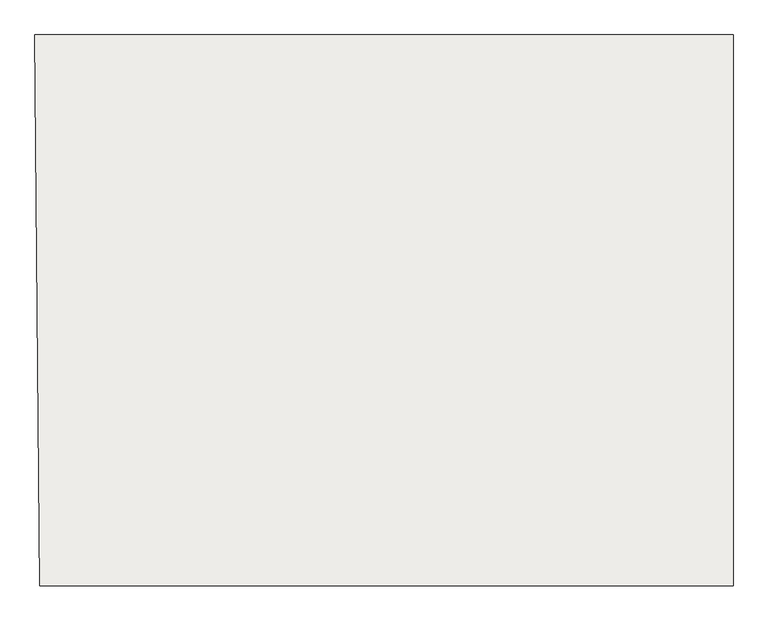
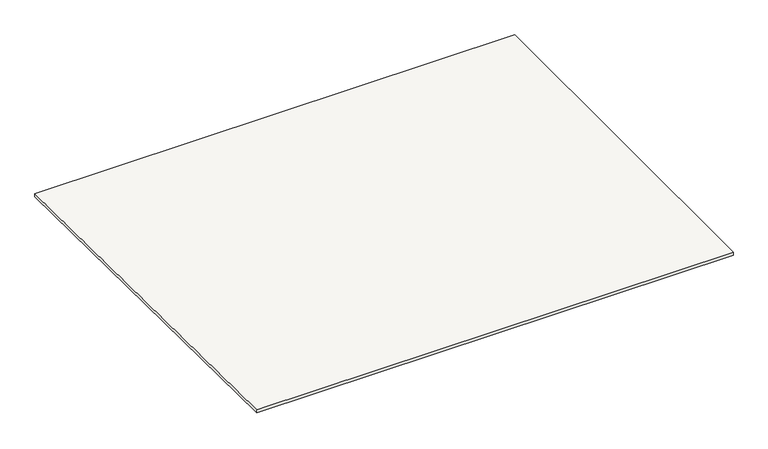
"""IFC4 building model written with IfcOpenShell, lengths in millimetres: slab geometry."""

from ifc_helpers import new_model, si_unit, frame, origin, place, context, project, spatial, polyline, outline, extrude, source, transform, mapped, element, save


def slab_e93d7c09(model_context):
    return source(origin(), model_context, "Body", "SweptSolid", [
        extrude(outline(polyline([(138273.7432689, 80715.1344505), (135253.5926613, 80715.1344505), (135232.9856801, 83115.1344505), (138273.7432689, 83115.1344505), (138273.7432689, 80715.1344505)])), frame((0.0, 0.0, 11234.75), z_axis=(0.0, 0.0, 1.0), x_axis=(1.0, 0.0, 0.0)), (0.0, 0.0, 1.0), 20.0),
    ])


if __name__ == "__main__":
    model = new_model("IFC4")
    model_context = context("Model", 3, world=origin())
    ifc_project = project(units=[si_unit("LENGTHUNIT", "METRE", prefix="MILLI")], contexts=[model_context])
    site = spatial("IfcSite", under=ifc_project)
    building = spatial("IfcBuilding", under=site)
    placement = place(None, origin())
    slab_shape = slab_e93d7c09(model_context)
    element("IfcSlab", 1, at=placement, inside=building, context=model_context, shape_type="MappedRepresentation", body=[
        mapped(slab_shape, transform((0.0, 0.0, 0.0), x_axis=(1.0, 0.0, 0.0), y_axis=(0.0, 1.0, 0.0), z_axis=(0.0, 0.0, 1.0))),
    ])
    save(model, "model.ifc")
